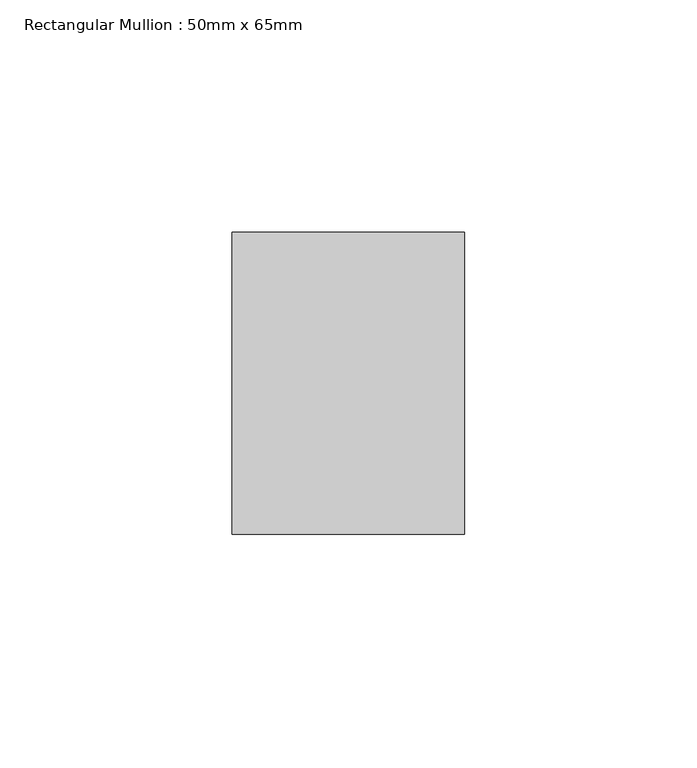
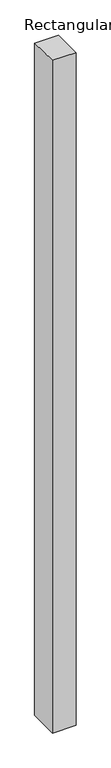
"""IFC4 building model written with IfcOpenShell, lengths in millimetres: member geometry, Rectangular Mullion : 50mm x 65mm."""

from ifc_helpers import new_model, si_unit, origin, place, context, project, spatial, faceted_brep, source, transform, mapped, element, save


def rectangular_mullion_50mm_x_65mm_d0525acb(model_context):
    return source(origin(), model_context, "Body", "Brep", [
        faceted_brep([(-25.0, 32.5, -0.3057248), (25.0, 32.5, -0.3057232), (25.0, 32.5, -1499.7972822), (-25.0, 32.5, -1499.7972812), (-25.0, -32.5, 0.3057232), (-25.0, -32.5, -1500.2027574), (25.0, -32.5, 0.3057248), (25.0, -32.5, -1500.2027585)], [[[0, 1, 2, 3]], [[4, 0, 3, 5]], [[6, 4, 5, 7]], [[1, 6, 7, 2]], [[1, 0, 4, 6]], [[2, 7, 5, 3]]]),
    ])


if __name__ == "__main__":
    model = new_model("IFC4")
    model_context = context("Model", 3, world=origin())
    ifc_project = project(units=[si_unit("LENGTHUNIT", "METRE", prefix="MILLI")], contexts=[model_context])
    site = spatial("IfcSite", under=ifc_project)
    building = spatial("IfcBuilding", under=site)
    placement = place(None, origin())
    rectangular_mullion_50mm_x_65mm_shape = rectangular_mullion_50mm_x_65mm_d0525acb(model_context)
    element("IfcMember", 1, ObjectType="Rectangular Mullion : 50mm x 65mm", at=placement, inside=building, context=model_context, shape_type="MappedRepresentation", body=[
        mapped(rectangular_mullion_50mm_x_65mm_shape, transform((0.0, 0.0, 0.0), x_axis=(1.0, 0.0, 0.0), y_axis=(0.0, 1.0, 0.0), z_axis=(0.0, 0.0, 1.0))),
    ])
    save(model, "model.ifc")
